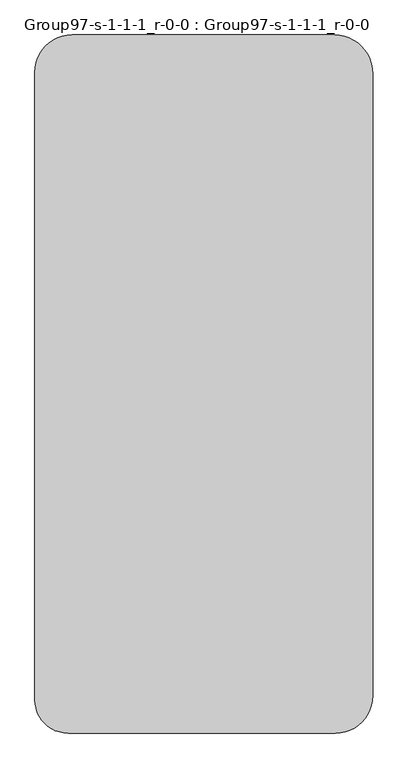
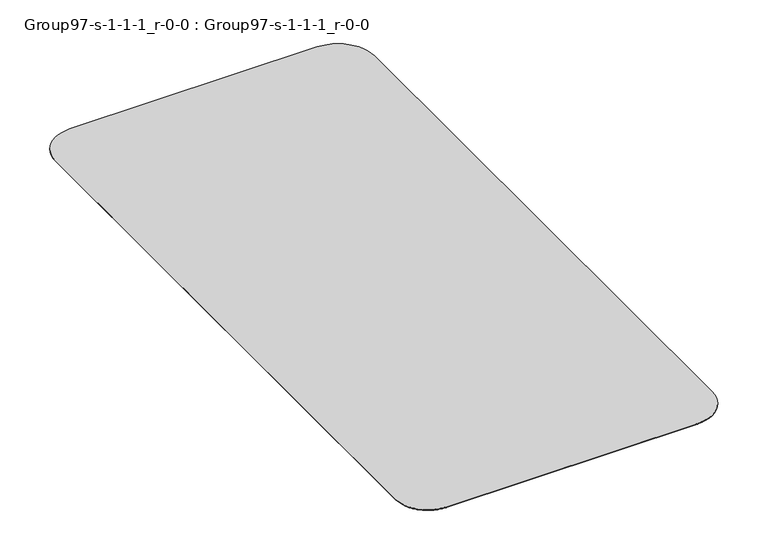
"""IFC4 building model written with IfcOpenShell, lengths in millimetres: geographic element geometry, Group97-s-1-1-1_r-0-0 : Group97-s-1-1-1_r-0-0."""

from ifc_helpers import new_model, si_unit, origin, place, context, project, spatial, triangles, source, transform, mapped, element, save


def group97_s_1_1_1_r_0_0_group97_s_1_1_1_r_0_0_afb17079(model_context):
    return source(origin(), model_context, "Body", "Tessellation", [
        triangles([(79172.8417969, 88.9619754, 152.4), (77815.5385986, 0.0, 0.0), (79172.8417969, 88.9619754, 0.0), (77815.5385986, 0.0, 152.4), (87859.8743408, 7707.2882767, 0.0), (87422.6452148, 6419.2645706, 152.4), (87422.6452148, 6419.2645706, 0.0), (87859.8743408, 7707.2882767, 152.4), (80506.9092041, 354.3257197, 152.4), (80506.9092041, 354.3257197, 0.0), (88214.1968994, 10398.6594635, 0.0), (88125.2348877, 9041.3620789, 152.4), (88125.2348877, 9041.3620789, 0.0), (88214.1968994, 10398.6594635, 152.4), (83014.867749, 1393.1562424, 152.4), (81794.9329102, 791.5508125, 0.0), (83014.867749, 1393.1562424, 0.0), (81794.9329102, 791.5508125, 152.4), (88214.1968994, 183228.3508301, 0.0), (88214.1968994, 183228.3508301, 152.4), (86065.3513184, 4068.3566139, 0.0), (85168.5037354, 3045.6969429, 152.4), (85168.5037354, 3045.6969429, 0.0), (86065.3513184, 4068.3566139, 152.4), (84145.8405762, 2148.8481972, 152.4), (84145.8405762, 2148.8481972, 0.0), (86821.0447266, 5199.3297318, 152.4), (86821.0447266, 5199.3297318, 0.0), (80250.1434814, 193607.3266113, 152.4), (81581.0761963, 193155.5216309, 0.0), (80250.1434814, 193607.3266113, 0.0), (81581.0761963, 193155.5216309, 152.4), (82841.650415, 192533.8851563, 0.0), (82841.650415, 192533.8851563, 152.4), (84010.3046631, 191753.0211914, 0.0), (84010.3046631, 191753.0211914, 152.4), (85067.0401611, 190826.2870605, 0.0), (85067.0401611, 190826.2870605, 152.4), (78871.6229736, 193881.5238281, 152.4), (78871.6229736, 193881.5238281, 0.0), (77469.1085815, 193973.4437988, 152.4), (77469.1085815, 193973.4437988, 0.0), (88122.2769287, 184630.869873, 0.0), (88122.2769287, 184630.869873, 152.4), (87396.2747314, 187340.3230957, 0.0), (87848.0704102, 186009.3903809, 152.4), (87848.0704102, 186009.3903809, 0.0), (87396.2747314, 187340.3230957, 152.4), (85993.7649902, 189769.5515625, 152.4), (85993.7649902, 189769.5515625, 0.0), (86774.6289551, 188600.8973145, 0.0), (86774.6289551, 188600.8973145, 152.4), (-5699.258519, 184990.8479004, 0.0), (-5787.642659, 9228.8866791, 0.0), (-5787.642659, 183642.3720703, 0.0), (-5708.688176, 8024.2753235, 0.0), (-5473.1758072, 6840.2749191, 0.0), (-5435.6193787, 186316.2367676, 0.0), (-5085.1355392, 5697.1446945, 0.0), (-5001.2354279, 187595.8981934, 0.0), (-4551.2062111, 4614.4433395, 0.0), (-4403.5393524, 188807.8986328, 0.0), (-3880.523893, 3610.6964676, 0.0), (-3652.7581444, 189931.532373, 0.0), (-3084.5640472, 2703.0783211, 0.0), (-2761.7375313, 190947.5447754, 0.0), (-2176.9460461, 1907.1186207, 0.0), (-1745.7232395, 191838.5601562, 0.0), (-1173.1991014, 1236.4364479, 0.0), (-622.0996004, 192589.3422363, 0.0), (-90.4977465, 702.5071924, 0.0), (589.9079607, 193187.0359863, 0.0), (1052.6326962, 314.4667065, 0.0), (1869.5616108, 193621.4280762, 0.0), (2236.6329552, 78.9544104, 0.0), (3194.9660294, 193885.0584961, 0.0), (3441.2443108, 0.0, 0.0), (4543.4433128, 193973.4437988, 0.0), (-5708.688176, 8024.2753235, 152.4), (-5787.642659, 183642.3720703, 152.4), (-5787.642659, 9228.8866791, 152.4), (-5699.258519, 184990.8479004, 152.4), (-5473.1758072, 6840.2749191, 152.4), (-5435.6193787, 186316.2367676, 152.4), (-5085.1355392, 5697.1446945, 152.4), (-5001.2354279, 187595.8981934, 152.4), (-4551.2062111, 4614.4433395, 152.4), (-4403.5393524, 188807.8986328, 152.4), (-3880.523893, 3610.6964676, 152.4), (-3652.7581444, 189931.532373, 152.4), (-3084.5640472, 2703.0783211, 152.4), (-2761.7375313, 190947.5447754, 152.4), (-2176.9460461, 1907.1186207, 152.4), (-1745.7232395, 191838.5601562, 152.4), (-1173.1991014, 1236.4364479, 152.4), (-622.0996004, 192589.3422363, 152.4), (-90.4977465, 702.5071924, 152.4), (589.9079607, 193187.0359863, 152.4), (1052.6326962, 314.4667065, 152.4), (1869.5616108, 193621.4280762, 152.4), (2236.6329552, 78.9544104, 152.4), (3194.9660294, 193885.0584961, 152.4), (3441.2443108, 0.0, 152.4), (4543.4433128, 193973.4437988, 152.4)], [[1, 2, 3], [2, 1, 4], [5, 6, 7], [6, 5, 8], [9, 3, 10], [3, 9, 1], [11, 12, 13], [12, 11, 14], [15, 16, 17], [16, 15, 18], [19, 14, 11], [14, 19, 20], [21, 22, 23], [22, 21, 24], [13, 8, 5], [8, 13, 12], [25, 17, 26], [17, 25, 15], [18, 10, 16], [10, 18, 9], [22, 26, 23], [26, 22, 25], [7, 27, 28], [27, 7, 6], [28, 24, 21], [24, 28, 27], [29, 30, 31], [30, 29, 32], [32, 33, 30], [33, 32, 34], [34, 35, 33], [35, 34, 36], [36, 37, 35], [37, 36, 38], [39, 31, 40], [31, 39, 29], [41, 40, 42], [40, 41, 39], [43, 20, 19], [20, 43, 44], [45, 46, 47], [46, 45, 48], [37, 49, 50], [49, 37, 38], [51, 48, 45], [48, 51, 52], [47, 44, 43], [44, 47, 46], [50, 52, 51], [52, 50, 49], [53, 54, 55], [54, 53, 56], [56, 53, 57], [57, 53, 58], [57, 58, 59], [59, 58, 60], [59, 60, 61], [61, 60, 62], [61, 62, 63], [63, 62, 64], [63, 64, 65], [65, 64, 66], [65, 66, 67], [67, 66, 68], [67, 68, 69], [69, 68, 70], [69, 70, 71], [71, 70, 72], [71, 72, 73], [73, 72, 74], [73, 74, 75], [75, 74, 76], [75, 76, 77], [77, 76, 78], [77, 78, 2], [2, 78, 42], [2, 42, 40], [2, 40, 3], [3, 40, 31], [3, 31, 10], [10, 31, 30], [10, 30, 16], [16, 30, 33], [16, 33, 17], [17, 33, 35], [17, 35, 26], [26, 35, 37], [26, 37, 23], [23, 37, 50], [23, 50, 21], [21, 50, 51], [21, 51, 28], [28, 51, 45], [28, 45, 7], [7, 45, 47], [7, 47, 5], [5, 47, 43], [5, 43, 13], [13, 43, 19], [13, 19, 11], [79, 80, 81], [80, 79, 82], [82, 79, 83], [82, 83, 84], [84, 83, 85], [84, 85, 86], [86, 85, 87], [86, 87, 88], [88, 87, 89], [88, 89, 90], [90, 89, 91], [90, 91, 92], [92, 91, 93], [92, 93, 94], [94, 93, 95], [94, 95, 96], [96, 95, 97], [96, 97, 98], [98, 97, 99], [98, 99, 100], [100, 99, 101], [100, 101, 102], [102, 101, 103], [102, 103, 104], [104, 103, 4], [104, 4, 41], [41, 4, 39], [39, 4, 1], [39, 1, 29], [29, 1, 9], [29, 9, 32], [32, 9, 18], [32, 18, 34], [34, 18, 15], [34, 15, 36], [36, 15, 25], [36, 25, 38], [38, 25, 22], [38, 22, 49], [49, 22, 24], [49, 24, 52], [52, 24, 27], [52, 27, 48], [48, 27, 6], [48, 6, 46], [46, 6, 8], [46, 8, 44], [44, 8, 12], [44, 12, 20], [20, 12, 14], [4, 77, 2], [77, 4, 103], [103, 75, 77], [75, 103, 101], [101, 73, 75], [73, 101, 99], [99, 71, 73], [71, 99, 97], [97, 69, 71], [69, 97, 95], [95, 67, 69], [67, 95, 93], [93, 65, 67], [65, 93, 91], [89, 65, 91], [65, 89, 63], [87, 63, 89], [63, 87, 61], [85, 61, 87], [61, 85, 59], [79, 57, 83], [57, 79, 56], [81, 56, 79], [56, 81, 54], [80, 54, 81], [54, 80, 55], [82, 55, 80], [55, 82, 53], [83, 59, 85], [59, 83, 57], [86, 58, 84], [58, 86, 60], [98, 74, 72], [74, 98, 100], [100, 76, 74], [76, 100, 102], [96, 72, 70], [72, 96, 98], [92, 68, 66], [68, 92, 94], [88, 60, 86], [60, 88, 62], [92, 64, 90], [64, 92, 66], [94, 70, 68], [70, 94, 96], [102, 78, 76], [78, 102, 104], [90, 62, 88], [62, 90, 64], [104, 42, 78], [42, 104, 41], [84, 53, 82], [53, 84, 58]]),
    ])


if __name__ == "__main__":
    model = new_model("IFC4")
    model_context = context("Model", 3, world=origin())
    ifc_project = project(units=[si_unit("LENGTHUNIT", "METRE", prefix="MILLI")], contexts=[model_context])
    site = spatial("IfcSite", under=ifc_project)
    building = spatial("IfcBuilding", under=site)
    placement = place(None, origin())
    group97_s_1_1_1_r_0_0_group97_s_1_1_1_r_0_0_shape = group97_s_1_1_1_r_0_0_group97_s_1_1_1_r_0_0_afb17079(model_context)
    element("IfcGeographicElement", 1, ObjectType="Group97-s-1-1-1_r-0-0 : Group97-s-1-1-1_r-0-0", at=placement, inside=building, context=model_context, shape_type="MappedRepresentation", body=[
        mapped(group97_s_1_1_1_r_0_0_group97_s_1_1_1_r_0_0_shape, transform((0.0, 0.0, 0.0), x_axis=(1.0, 0.0, 0.0), y_axis=(0.0, 1.0, 0.0), z_axis=(0.0, 0.0, 1.0))),
    ])
    save(model, "model.ifc")
